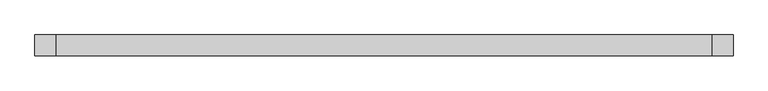
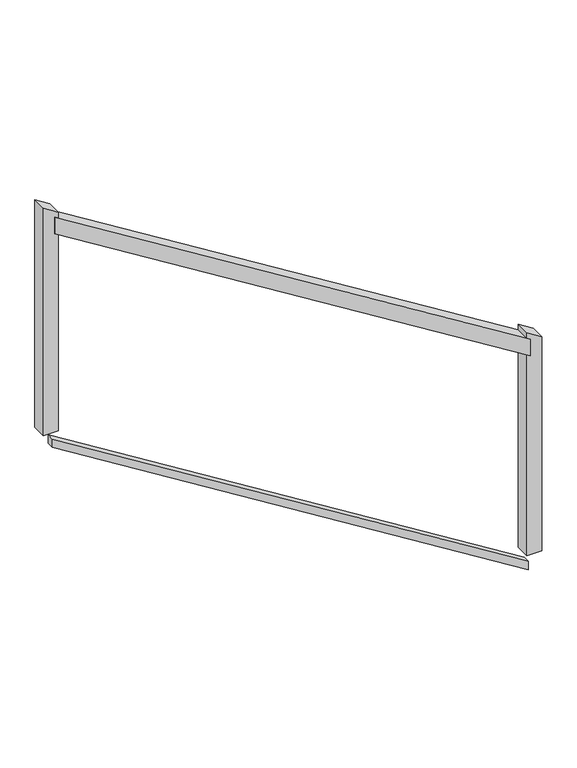
"""IFC4 building model written with IfcOpenShell, lengths in millimetres: railing geometry."""

from ifc_helpers import new_model, si_unit, frame, origin, place, context, project, spatial, polyline, outline, extrude, source, transform, mapped, element, save


def railing_6ee5c368(model_context):
    return source(origin(), model_context, "Body", "SweptSolid", [
        extrude(outline(polyline([(9227.6120652, -18248.6629276), (9287.4387915, -18248.6629276), (10302.6387915, -19880.6629276), (10242.8120652, -19880.6629276), (9227.6120652, -18248.6629276)])), frame((0.0, 121125.2306038, 0.0), z_axis=(0.0, 1.0, 0.0), x_axis=(0.0, 0.0, 1.0)), (0.0, 0.0, 1.0), 50.8),
        extrude(outline(polyline([(8444.9687468, -18248.6629276), (8474.8821099, -18248.6629276), (9490.0821099, -19880.6629276), (9460.1687468, -19880.6629276), (8444.9687468, -18248.6629276)])), frame((0.0, 121137.9306038, 0.0), z_axis=(0.0, 1.0, 0.0), x_axis=(0.0, 0.0, 1.0)), (0.0, 0.0, 1.0), 25.4),
        extrude(outline(polyline([(10315.7252813, -19867.9629276), (10347.3258695, -19918.7629276), (9522.7254283, -19918.7629276), (9522.7254283, -19867.9629276), (10315.7252813, -19867.9629276)])), frame((0.0, 121125.2306038, 0.0), z_axis=(0.0, 1.0, 0.0), x_axis=(0.0, 0.0, 1.0)), (0.0, 0.0, 1.0), 50.8),
        extrude(outline(polyline([(9284.7249872, -18210.5629276), (9316.3255754, -18261.3629276), (8507.5254283, -18261.3629276), (8507.5254283, -18210.5629276), (9284.7249872, -18210.5629276)])), frame((0.0, 121125.2306038, 0.0), z_axis=(0.0, 1.0, 0.0), x_axis=(0.0, 0.0, 1.0)), (0.0, 0.0, 1.0), 50.8),
    ])


if __name__ == "__main__":
    model = new_model("IFC4")
    model_context = context("Model", 3, world=origin())
    ifc_project = project(units=[si_unit("LENGTHUNIT", "METRE", prefix="MILLI")], contexts=[model_context])
    site = spatial("IfcSite", under=ifc_project)
    building = spatial("IfcBuilding", under=site)
    placement = place(None, origin())
    railing_shape = railing_6ee5c368(model_context)
    element("IfcRailing", 1, at=placement, inside=building, context=model_context, shape_type="MappedRepresentation", body=[
        mapped(railing_shape, transform((0.0, 0.0, 0.0), x_axis=(1.0, 0.0, 0.0), y_axis=(0.0, 1.0, 0.0), z_axis=(0.0, 0.0, 1.0))),
    ])
    save(model, "model.ifc")
